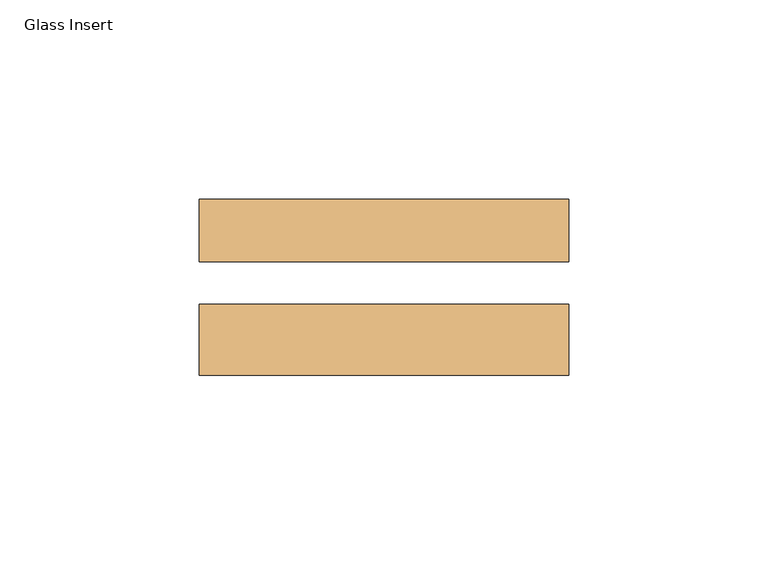
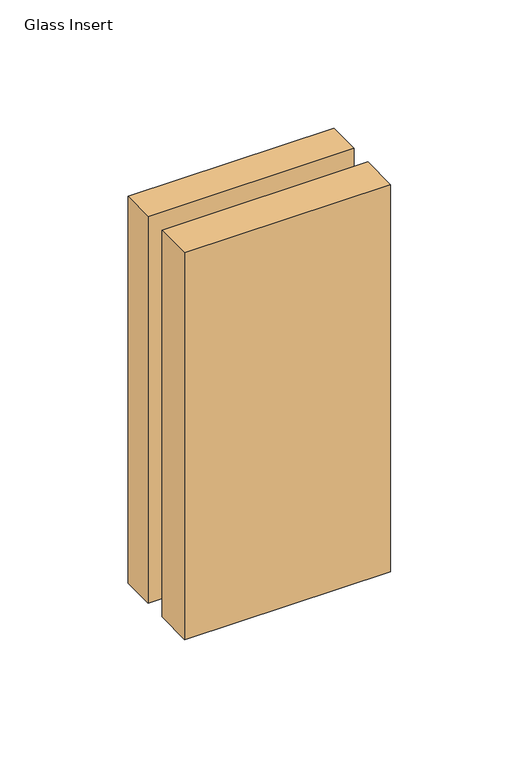
"""IFC4 building model written with IfcOpenShell, lengths in millimetres: door geometry, Glass Insert."""

from ifc_helpers import new_model, si_unit, frame, origin, place, context, project, spatial, polyline, outline, extrude, source, transform, mapped, element, save


def glass_insert_7eeb47b9(model_context):
    return source(origin(), model_context, "Body", "SweptSolid", [
        extrude(outline(polyline([(368.2801562, -31.1519545), (460.9901562, -31.1519545), (460.9901562, -48.9954545), (368.2801562, -48.9954545), (368.2801562, -31.1519545)])), frame((0.0, 0.0, 906.5514), z_axis=(0.0, 0.0, 1.0), x_axis=(1.0, 0.0, 0.0)), (0.0, 0.0, 1.0), 184.15),
        extrude(outline(polyline([(368.2801562, -4.8248545), (460.9901562, -4.8248545), (460.9901562, -20.5474545), (368.2801562, -20.5474545), (368.2801562, -4.8248545)])), frame((0.0, 0.0, 906.5514), z_axis=(0.0, 0.0, 1.0), x_axis=(1.0, 0.0, 0.0)), (0.0, 0.0, 1.0), 184.15),
    ])


if __name__ == "__main__":
    model = new_model("IFC4")
    model_context = context("Model", 3, world=origin())
    ifc_project = project(units=[si_unit("LENGTHUNIT", "METRE", prefix="MILLI")], contexts=[model_context])
    site = spatial("IfcSite", under=ifc_project)
    building = spatial("IfcBuilding", under=site)
    placement = place(None, origin())
    glass_insert_shape = glass_insert_7eeb47b9(model_context)
    element("IfcDoor", 1, ObjectType="Glass Insert", at=placement, inside=building, context=model_context, shape_type="MappedRepresentation", body=[
        mapped(glass_insert_shape, transform((0.0, 0.0, 0.0), x_axis=(1.0, 0.0, 0.0), y_axis=(0.0, 1.0, 0.0), z_axis=(0.0, 0.0, 1.0))),
    ])
    save(model, "model.ifc")
